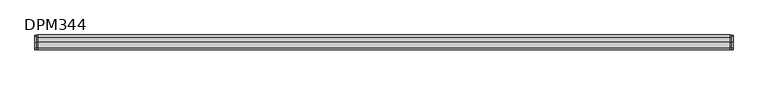
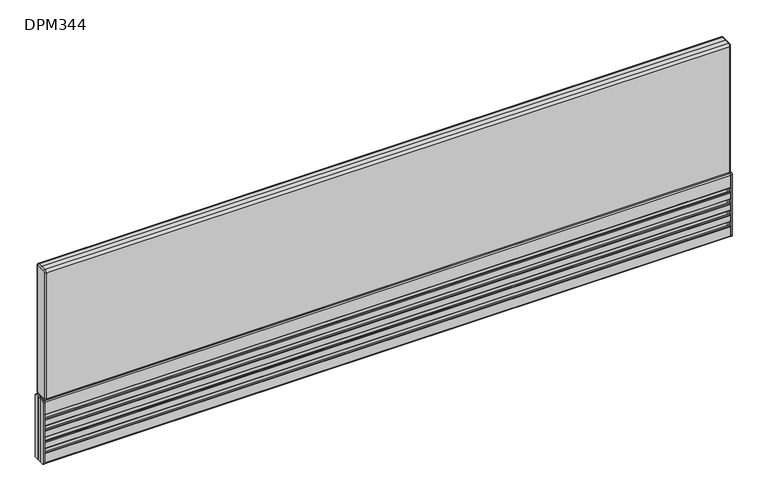
"""IFC4 building model written with IfcOpenShell, lengths in millimetres: furniture geometry, DPM344."""

from ifc_helpers import new_model, si_unit, point, frame, frame_2d, origin, place, context, project, spatial, polyline, circle_curve, ellipse_curve, trimmed, segment, composite_curve, outline, extrude, source, transform, mapped, element, save
from ifc_brep_helpers import plane_surface, cylinder_surface, revolved_surface, advanced_brep


def dpm344_2a17f131(model_context):
    return source(origin(), model_context, "Body", "SolidModel", [
        advanced_brep(
        [(-647.5, -11.25, 125.5), (-647.5, -13.25, 123.5), (-647.5, -13.25, 2.0), (-647.5, -11.25, 0.0), (-647.5, 0.0, 0.0), (-647.5, 11.25, 0.0), (-647.5, 13.25, 2.0), (-647.5, 13.25, 123.5), (-647.5, 11.25, 125.5), (-647.5, 0.0, 125.5), (-650.5, 11.25, 125.5), (-650.5, 13.25, 123.5), (-650.5, 13.25, 2.0), (-650.5, 11.25, 0.0), (-650.5, 5.25, 0.0), (-650.5, 5.25, 125.5), (-650.5, -11.25, 0.0), (-650.5, -13.25, 2.0), (-650.5, -13.25, 123.5), (-650.5, -11.25, 125.5), (-650.5, -5.25, 125.5), (-650.5, -5.25, 0.0), (-650.5, -3.75, 125.5), (-650.5, 0.0, 125.5), (-650.5, 3.75, 125.5), (-650.5, 3.75, 0.0), (-650.5, 0.0, 0.0), (-650.5, -3.75, 0.0)],
        [
            (0, 1, circle_curve(frame((-647.5, -11.25, 123.5), z_axis=(1.0, 0.0, 0.0), x_axis=(0.0, 1.0, 0.0)), 2.0)),
            (1, 2),
            (2, 3, circle_curve(frame((-647.5, -11.25, 2.0), z_axis=(1.0, 0.0, 0.0), x_axis=(0.0, 1.0, 0.0)), 2.0)),
            (3, 4),
            (4, 5),
            (5, 6, circle_curve(frame((-647.5, 11.25, 2.0), z_axis=(1.0, 0.0, 0.0), x_axis=(0.0, -1.0, 0.0)), 2.0)),
            (6, 7),
            (7, 8, circle_curve(frame((-647.5, 11.25, 123.5), z_axis=(1.0, 0.0, 0.0), x_axis=(0.0, -1.0, 0.0)), 2.0)),
            (8, 9),
            (9, 0),
            (10, 11, circle_curve(frame((-650.5, 11.25, 123.5), z_axis=(-1.0, 0.0, 0.0), x_axis=(0.0, -1.0, 0.0)), 2.0)),
            (11, 12),
            (12, 13, circle_curve(frame((-650.5, 11.25, 2.0), z_axis=(-1.0, 0.0, 0.0), x_axis=(0.0, -1.0, 0.0)), 2.0)),
            (13, 14),
            (14, 15),
            (15, 10),
            (16, 17, circle_curve(frame((-650.5, -11.25, 2.0), z_axis=(-1.0, 0.0, 0.0), x_axis=(0.0, 1.0, 0.0)), 2.0)),
            (17, 18),
            (18, 19, circle_curve(frame((-650.5, -11.25, 123.5), z_axis=(-1.0, 0.0, 0.0), x_axis=(0.0, 1.0, 0.0)), 2.0)),
            (19, 20),
            (20, 21),
            (21, 16),
            (22, 23),
            (23, 24),
            (24, 25),
            (25, 26),
            (26, 27),
            (27, 22),
            (0, 19),
            (18, 1),
            (17, 2),
            (16, 3),
            (21, 27, circle_curve(frame((-651.1614378, -4.5, 0.0), z_axis=(0.0, 0.0, 1.0), x_axis=(0.0, 1.0, 0.0)), 1.0)),
            (26, 4),
            (25, 14, circle_curve(frame((-651.1614378, 4.5, 0.0), z_axis=(0.0, 0.0, 1.0), x_axis=(0.0, 1.0, 0.0)), 1.0)),
            (13, 5),
            (12, 6),
            (11, 7),
            (10, 8),
            (15, 24, circle_curve(frame((-651.1614378, 4.5, 125.5), z_axis=(0.0, 0.0, -1.0), x_axis=(0.0, 1.0, 0.0)), 1.0)),
            (23, 9),
            (22, 20, circle_curve(frame((-651.1614378, -4.5, 125.5), z_axis=(0.0, 0.0, -1.0), x_axis=(0.0, 1.0, 0.0)), 1.0)),
        ],
        [
            plane_surface(frame((-647.5, -9.25, 123.5), z_axis=(1.0, 0.0, 0.0), x_axis=(0.0, 0.0, 1.0))),
            plane_surface(frame((-650.5, -9.25, 123.5), z_axis=(-1.0, 0.0, 0.0), x_axis=(0.0, 0.0, -1.0))),
            cylinder_surface(frame((-650.5, -11.25, 123.5), z_axis=(1.0, 0.0, 0.0), x_axis=(0.0, 1.0, 0.0)), 2.0),
            plane_surface(frame((-647.5, -13.25, 123.5), z_axis=(0.0, -1.0, 0.0), x_axis=(-1.0, 0.0, 0.0))),
            cylinder_surface(frame((-650.5, -11.25, 2.0), z_axis=(1.0, 0.0, 0.0), x_axis=(0.0, 1.0, 0.0)), 2.0),
            plane_surface(frame((-647.5, -11.25, 0.0), z_axis=(0.0, 0.0, -1.0), x_axis=(-1.0, 0.0, 0.0))),
            plane_surface(frame((-647.5, 0.0, 0.0), z_axis=(0.0, 0.0, -1.0), x_axis=(-1.0, 0.0, 0.0))),
            cylinder_surface(frame((-650.5, 11.25, 2.0), z_axis=(1.0, 0.0, 0.0), x_axis=(0.0, -1.0, 0.0)), 2.0),
            plane_surface(frame((-647.5, 13.25, 2.0), z_axis=(0.0, 1.0, -6.587285038427298e-12), x_axis=(-1.0, 0.0, 0.0))),
            cylinder_surface(frame((-650.5, 11.25, 123.5), z_axis=(1.0, 0.0, 0.0), x_axis=(0.0, -1.0, 0.0)), 2.0),
            plane_surface(frame((-647.5, 11.25, 125.5), z_axis=(0.0, 0.0, 1.0), x_axis=(-1.0, 0.0, 0.0))),
            plane_surface(frame((-647.5, 0.0, 125.5), z_axis=(0.0, 0.0, 1.0), x_axis=(-1.0, 0.0, 0.0))),
            revolved_surface(polyline([(-651.1614378, 5.5, 125.5), (-651.1614378, 5.5, 0.0)]), (-651.1614378, 4.5, -26.25), (0.0, 0.0, 1.0)),
            revolved_surface(polyline([(-651.1614378, -3.5, 125.5), (-651.1614378, -3.5, 0.0)]), (-651.1614378, -4.5, 73.75), (0.0, 0.0, 1.0)),
        ],
        [
            (0, [[1, 2, 3, 4, 5, 6, 7, 8, 9, 10]]),
            (1, [[11, 12, 13, 14, 15, 16]]),
            (1, [[17, 18, 19, 20, 21, 22]]),
            (1, [[23, 24, 25, 26, 27, 28]]),
            (2, [[-1, 29, -19, 30]]),
            (3, [[-2, -30, -18, 31]]),
            (4, [[-3, -31, -17, 32]]),
            (5, [[-4, -32, -22, 33, -27, 34]]),
            (6, [[-5, -34, -26, 35, -14, 36]]),
            (7, [[-6, -36, -13, 37]]),
            (8, [[-7, -37, -12, 38]]),
            (9, [[-8, -38, -11, 39]]),
            (10, [[-9, -39, -16, 40, -24, 41]]),
            (11, [[-10, -41, -23, 42, -20, -29]]),
            (12, [[-15, -35, -25, -40]]),
            (13, [[-28, -33, -21, -42]]),
        ],
    ),
        advanced_brep(
        [(647.5, 11.25, 125.5), (647.5, 13.25, 123.5), (647.5, 13.25, 2.0), (647.5, 11.25, 0.0), (647.5, 0.0, 0.0), (647.5, -11.25, 0.0), (647.5, -13.25, 2.0), (647.5, -13.25, 123.5), (647.5, -11.25, 125.5), (647.5, 0.0, 125.5), (650.5, -11.25, 125.5), (650.5, -13.25, 123.5), (650.5, -13.25, 2.0), (650.5, -11.25, 0.0), (650.5, -5.25, 0.0), (650.5, -5.25, 125.5), (650.5, 11.25, 0.0), (650.5, 13.25, 2.0), (650.5, 13.25, 123.5), (650.5, 11.25, 125.5), (650.5, 5.25, 125.5), (650.5, 5.25, 0.0), (650.5, 3.75, 125.5), (650.5, 0.0, 125.5), (650.5, -3.75, 125.5), (650.5, -3.75, 0.0), (650.5, 0.0, 0.0), (650.5, 3.75, 0.0)],
        [
            (0, 1, circle_curve(frame((647.5, 11.25, 123.5), z_axis=(-1.0, 0.0, 0.0), x_axis=(0.0, -1.0000000000000004, 0.0)), 2.0)),
            (1, 2),
            (2, 3, circle_curve(frame((647.5, 11.25, 2.0), z_axis=(-1.0, 0.0, 0.0), x_axis=(0.0, -1.0000000000000004, 0.0)), 2.0)),
            (3, 4),
            (4, 5),
            (5, 6, circle_curve(frame((647.5, -11.25, 2.0), z_axis=(-1.0, 0.0, 0.0), x_axis=(0.0, 1.0000000000000004, 0.0)), 2.0)),
            (6, 7),
            (7, 8, circle_curve(frame((647.5, -11.25, 123.5), z_axis=(-1.0, 0.0, 0.0), x_axis=(0.0, 1.0000000000000004, 0.0)), 2.0)),
            (8, 9),
            (9, 0),
            (10, 11, circle_curve(frame((650.5, -11.25, 123.5), z_axis=(1.0, 0.0, 0.0), x_axis=(0.0, 1.0000000000000004, 0.0)), 2.0)),
            (11, 12),
            (12, 13, circle_curve(frame((650.5, -11.25, 2.0), z_axis=(1.0, 0.0, 0.0), x_axis=(0.0, 1.0000000000000004, 0.0)), 2.0)),
            (13, 14),
            (14, 15),
            (15, 10),
            (16, 17, circle_curve(frame((650.5, 11.25, 2.0), z_axis=(1.0, 0.0, 0.0), x_axis=(0.0, -1.0000000000000004, 0.0)), 2.0)),
            (17, 18),
            (18, 19, circle_curve(frame((650.5, 11.25, 123.5), z_axis=(1.0, 0.0, 0.0), x_axis=(0.0, -1.0000000000000004, 0.0)), 2.0)),
            (19, 20),
            (20, 21),
            (21, 16),
            (22, 23),
            (23, 24),
            (24, 25),
            (25, 26),
            (26, 27),
            (27, 22),
            (0, 19),
            (18, 1),
            (17, 2),
            (16, 3),
            (21, 27, circle_curve(frame((651.1614378, 4.5, 0.0), z_axis=(0.0, 0.0, 1.0), x_axis=(0.0, -1.0000000000000004, 0.0)), 1.0)),
            (26, 4),
            (25, 14, circle_curve(frame((651.1614378, -4.5, 0.0), z_axis=(0.0, 0.0, 1.0), x_axis=(0.0, -1.0000000000000004, 0.0)), 1.0)),
            (13, 5),
            (12, 6),
            (11, 7),
            (10, 8),
            (15, 24, circle_curve(frame((651.1614378, -4.5, 125.5), z_axis=(0.0, 0.0, -1.0), x_axis=(0.0, -1.0000000000000004, 0.0)), 1.0)),
            (23, 9),
            (22, 20, circle_curve(frame((651.1614378, 4.5, 125.5), z_axis=(0.0, 0.0, -1.0), x_axis=(0.0, -1.0000000000000004, 0.0)), 1.0)),
        ],
        [
            plane_surface(frame((647.5, 9.25, 123.5), z_axis=(-1.0, 0.0, 0.0), x_axis=(0.0, 0.0, 1.0))),
            plane_surface(frame((650.5, 9.25, 123.5), z_axis=(1.0, 0.0, 0.0), x_axis=(0.0, 0.0, -1.0))),
            cylinder_surface(frame((650.5, 11.25, 123.5), z_axis=(-1.0000000000000004, 0.0, 0.0), x_axis=(0.0, -1.0000000000000004, 0.0)), 2.0),
            plane_surface(frame((647.5, 13.25, 123.5), z_axis=(0.0, 1.0, 0.0), x_axis=(1.0, 0.0, 0.0))),
            cylinder_surface(frame((650.5, 11.25, 2.0), z_axis=(-1.0000000000000004, 0.0, 0.0), x_axis=(0.0, -1.0000000000000004, 0.0)), 2.0),
            plane_surface(frame((647.5, 11.25, 0.0), z_axis=(0.0, 0.0, -1.0), x_axis=(1.0, 0.0, 0.0))),
            plane_surface(frame((647.5, 0.0, 0.0), z_axis=(0.0, 0.0, -1.0), x_axis=(1.0, 0.0, 0.0))),
            cylinder_surface(frame((650.5, -11.25, 2.0), z_axis=(-1.0000000000000004, 0.0, 0.0), x_axis=(0.0, 1.0000000000000004, 0.0)), 2.0),
            plane_surface(frame((647.5, -13.25, 2.0), z_axis=(0.0, -1.0, -6.587285038427301e-12), x_axis=(1.0, 0.0, 0.0))),
            cylinder_surface(frame((650.5, -11.25, 123.5), z_axis=(-1.0000000000000004, 0.0, 0.0), x_axis=(0.0, 1.0000000000000004, 0.0)), 2.0),
            plane_surface(frame((647.5, -11.25, 125.5), z_axis=(0.0, 0.0, 1.0), x_axis=(1.0, 0.0, 0.0))),
            plane_surface(frame((647.5, 0.0, 125.5), z_axis=(0.0, 0.0, 1.0), x_axis=(1.0, 0.0, 0.0))),
            revolved_surface(polyline([(651.1614378, -5.5, 125.5), (651.1614378, -5.5, 0.0)]), (651.1614378, -4.5, -26.25), (0.0, 0.0, 1.0)),
            revolved_surface(polyline([(651.1614378, 3.4999999999999996, 125.5), (651.1614378, 3.4999999999999996, 0.0)]), (651.1614378, 4.5, 73.75), (0.0, 0.0, 1.0)),
        ],
        [
            (0, [[1, 2, 3, 4, 5, 6, 7, 8, 9, 10]]),
            (1, [[11, 12, 13, 14, 15, 16]]),
            (1, [[17, 18, 19, 20, 21, 22]]),
            (1, [[23, 24, 25, 26, 27, 28]]),
            (2, [[-1, 29, -19, 30]]),
            (3, [[-2, -30, -18, 31]]),
            (4, [[-3, -31, -17, 32]]),
            (5, [[-4, -32, -22, 33, -27, 34]]),
            (6, [[-5, -34, -26, 35, -14, 36]]),
            (7, [[-6, -36, -13, 37]]),
            (8, [[-7, -37, -12, 38]]),
            (9, [[-8, -38, -11, 39]]),
            (10, [[-9, -39, -16, 40, -24, 41]]),
            (11, [[-10, -41, -23, 42, -20, -29]]),
            (12, [[-15, -35, -25, -40]]),
            (13, [[-28, -33, -21, -42]]),
        ],
    ),
        extrude(outline(composite_curve([segment(trimmed(circle_curve(frame_2d((-12.0, 20.25)), 1.0), [point((-13.0, 20.25))], [point((-12.0, 21.25))], False, "CARTESIAN"), True, "CONTINUOUS"), segment(polyline([(-12.0, 21.25), (-9.2004126, 21.25), (-9.2004126, 15.25), (-1.7500068, 15.25), (-1.7500068, 36.25), (-9.2004126, 36.25), (-9.2004126, 30.25), (-12.0, 30.25)]), True, "CONTINUOUS"), segment(trimmed(circle_curve(frame_2d((-12.0, 31.25)), 1.0), [point((-12.0, 30.25))], [point((-13.0, 31.25))], False, "CARTESIAN"), True, "CONTINUOUS"), segment(polyline([(-13.0, 31.25), (-13.0, 42.75)]), True, "CONTINUOUS"), segment(trimmed(circle_curve(frame_2d((-12.0, 42.75)), 1.0), [point((-13.0, 42.75))], [point((-12.0, 43.75))], False, "CARTESIAN"), True, "CONTINUOUS"), segment(polyline([(-12.0, 43.75), (-9.2004126, 43.75), (-9.2004126, 37.75), (-1.7500068, 37.75), (-1.7500068, 58.75), (-9.2004126, 58.75), (-9.2004126, 52.75), (-12.0, 52.75)]), True, "CONTINUOUS"), segment(trimmed(circle_curve(frame_2d((-12.0, 53.75)), 1.0), [point((-12.0, 52.75))], [point((-13.0, 53.75))], False, "CARTESIAN"), True, "CONTINUOUS"), segment(polyline([(-13.0, 53.75), (-13.0, 65.25)]), True, "CONTINUOUS"), segment(trimmed(circle_curve(frame_2d((-12.0, 65.25)), 1.0), [point((-13.0, 65.25))], [point((-12.0, 66.25))], False, "CARTESIAN"), True, "CONTINUOUS"), segment(polyline([(-12.0, 66.25), (-9.2004126, 66.25), (-9.2004126, 60.25), (-1.7500068, 60.25), (-1.7500068, 81.25), (-9.2004126, 81.25), (-9.2004126, 75.25), (-12.0, 75.25)]), True, "CONTINUOUS"), segment(trimmed(circle_curve(frame_2d((-12.0, 76.25)), 1.0), [point((-12.0, 75.25))], [point((-13.0, 76.25))], False, "CARTESIAN"), True, "CONTINUOUS"), segment(polyline([(-13.0, 76.25), (-13.0, 87.75)]), True, "CONTINUOUS"), segment(trimmed(circle_curve(frame_2d((-12.0, 87.75)), 1.0), [point((-13.0, 87.75))], [point((-12.0, 88.75))], False, "CARTESIAN"), True, "CONTINUOUS"), segment(polyline([(-12.0, 88.75), (-9.2004126, 88.75), (-9.2004126, 82.75), (-1.7500068, 82.75), (-1.7500068, 103.75), (-9.2004126, 103.75), (-9.2004126, 97.75), (-12.0, 97.75)]), True, "CONTINUOUS"), segment(trimmed(circle_curve(frame_2d((-12.0, 98.75)), 1.0), [point((-12.0, 97.75))], [point((-13.0, 98.75))], False, "CARTESIAN"), True, "CONTINUOUS"), segment(polyline([(-13.0, 98.75), (-13.0, 123.25)]), True, "CONTINUOUS"), segment(trimmed(circle_curve(frame_2d((-11.0, 123.25)), 2.0), [point((-13.0, 123.25))], [point((-11.0, 125.25))], False, "CARTESIAN"), True, "CONTINUOUS"), segment(polyline([(-11.0, 125.25), (-6.0, 125.25)]), True, "CONTINUOUS"), segment(trimmed(circle_curve(frame_2d((-6.0, 124.75)), 0.5), [point((-6.0, 125.25))], [point((-5.5, 124.75))], False, "CARTESIAN"), True, "CONTINUOUS"), segment(polyline([(-5.5, 124.75), (-5.5, 105.25), (0.0, 105.25), (5.5, 105.25), (5.5, 124.75)]), True, "CONTINUOUS"), segment(trimmed(circle_curve(frame_2d((6.0, 124.75)), 0.5), [point((5.5, 124.75))], [point((6.0, 125.25))], False, "CARTESIAN"), True, "CONTINUOUS"), segment(polyline([(6.0, 125.25), (11.0, 125.25)]), True, "CONTINUOUS"), segment(trimmed(circle_curve(frame_2d((11.0, 123.25)), 2.0), [point((11.0, 125.25))], [point((13.0, 123.25))], False, "CARTESIAN"), True, "CONTINUOUS"), segment(polyline([(13.0, 123.25), (13.0, 98.75)]), True, "CONTINUOUS"), segment(trimmed(circle_curve(frame_2d((12.0, 98.75)), 1.0), [point((13.0, 98.75))], [point((12.0, 97.75))], False, "CARTESIAN"), True, "CONTINUOUS"), segment(polyline([(12.0, 97.75), (9.2004126, 97.75), (9.2004126, 103.75), (1.7500068, 103.75), (1.7500068, 82.75), (9.2004126, 82.75), (9.2004126, 88.75), (12.0, 88.75)]), True, "CONTINUOUS"), segment(trimmed(circle_curve(frame_2d((12.0, 87.75)), 1.0), [point((12.0, 88.75))], [point((13.0, 87.75))], False, "CARTESIAN"), True, "CONTINUOUS"), segment(polyline([(13.0, 87.75), (13.0, 76.25)]), True, "CONTINUOUS"), segment(trimmed(circle_curve(frame_2d((12.0, 76.25)), 1.0), [point((13.0, 76.25))], [point((12.0, 75.25))], False, "CARTESIAN"), True, "CONTINUOUS"), segment(polyline([(12.0, 75.25), (9.2004126, 75.25), (9.2004126, 81.25), (1.7500068, 81.25), (1.7500068, 60.25), (9.2004126, 60.25), (9.2004126, 66.25), (12.0, 66.25)]), True, "CONTINUOUS"), segment(trimmed(circle_curve(frame_2d((12.0, 65.25)), 1.0), [point((12.0, 66.25))], [point((13.0, 65.25))], False, "CARTESIAN"), True, "CONTINUOUS"), segment(polyline([(13.0, 65.25), (13.0, 53.75)]), True, "CONTINUOUS"), segment(trimmed(circle_curve(frame_2d((12.0, 53.75)), 1.0), [point((13.0, 53.75))], [point((12.0, 52.75))], False, "CARTESIAN"), True, "CONTINUOUS"), segment(polyline([(12.0, 52.75), (9.2004126, 52.75), (9.2004126, 58.75), (1.7500068, 58.75), (1.7500068, 37.75), (9.2004126, 37.75), (9.2004126, 43.75), (12.0, 43.75)]), True, "CONTINUOUS"), segment(trimmed(circle_curve(frame_2d((12.0, 42.75)), 1.0), [point((12.0, 43.75))], [point((13.0, 42.75))], False, "CARTESIAN"), True, "CONTINUOUS"), segment(polyline([(13.0, 42.75), (13.0, 31.25)]), True, "CONTINUOUS"), segment(trimmed(circle_curve(frame_2d((12.0, 31.25)), 1.0), [point((13.0, 31.25))], [point((12.0, 30.25))], False, "CARTESIAN"), True, "CONTINUOUS"), segment(polyline([(12.0, 30.25), (9.2004126, 30.25), (9.2004126, 36.25), (1.7500068, 36.25), (1.7500068, 15.25), (9.2004126, 15.25), (9.2004126, 21.25), (12.0, 21.25)]), True, "CONTINUOUS"), segment(trimmed(circle_curve(frame_2d((12.0, 20.25)), 1.0), [point((12.0, 21.25))], [point((13.0, 20.25))], False, "CARTESIAN"), True, "CONTINUOUS"), segment(polyline([(13.0, 20.25), (13.0, 2.25)]), True, "CONTINUOUS"), segment(trimmed(circle_curve(frame_2d((11.0, 2.25)), 2.0), [point((13.0, 2.25))], [point((11.0, 0.25))], False, "CARTESIAN"), True, "CONTINUOUS"), segment(polyline([(11.0, 0.25), (0.0, 0.25), (-11.0, 0.25)]), True, "CONTINUOUS"), segment(trimmed(circle_curve(frame_2d((-11.0, 2.25)), 2.0), [point((-11.0, 0.25))], [point((-13.0, 2.25))], False, "CARTESIAN"), True, "CONTINUOUS"), segment(polyline([(-13.0, 2.25), (-13.0, 20.25)]), True, "CONTINUOUS")], self_intersect=False)), frame((-647.5, 0.0, 0.0), z_axis=(1.0, 0.0, 0.0), x_axis=(0.0, 1.0, 0.0)), (0.0, 0.0, 1.0), 1295.0),
        extrude(outline(polyline([(647.5, 5.25), (647.5, -5.25), (-647.5, -5.25), (-647.5, 5.25), (647.5, 5.25)])), frame((0.0, 0.0, 105.25), z_axis=(0.0, 0.0, 1.0), x_axis=(1.0, 0.0, 0.0)), (0.0, 0.0, 1.0), 20.5),
        advanced_brep(
        [(647.5, -9.5, 382.25), (647.5, -11.0, 380.75), (647.5, -11.0, 130.25), (647.5, -9.5, 128.75), (647.5, 9.5, 128.75), (647.5, 11.0, 130.25), (647.5, 11.0, 380.75), (647.5, 9.5, 382.25), (647.5, 0.0, 382.25), (-647.5, -9.5, 128.75), (-647.5, -11.0, 130.25), (-647.5, -11.0, 380.75), (-647.5, -9.5, 382.25), (-647.5, 0.0, 382.25), (-647.5, 9.5, 382.25), (-647.5, 11.0, 380.75), (-647.5, 11.0, 130.25), (-647.5, 9.5, 128.75), (644.5, -9.5, 385.25), (644.5, 0.0, 385.25), (-644.5, 0.0, 385.25), (-644.5, -9.5, 385.25), (644.5, -14.0, 380.75), (-644.5, -14.0, 380.75), (644.5, -14.0, 130.25), (-644.5, -14.0, 130.25), (644.5, -9.5, 125.75), (-644.5, -9.5, 125.75), (644.5, 9.5, 125.75), (-644.5, 9.5, 125.75), (644.5, 14.0, 130.25), (-644.5, 14.0, 130.25), (644.5, 14.0, 380.75), (-644.5, 14.0, 380.75), (644.5, 9.5, 385.25), (-644.5, 9.5, 385.25)],
        [
            (0, 1, circle_curve(frame((647.5, -9.5, 380.75), z_axis=(1.0, 0.0, 0.0), x_axis=(0.0, 0.0, 1.0)), 1.5)),
            (1, 2),
            (2, 3, circle_curve(frame((647.5, -9.5, 130.25), z_axis=(1.0, 0.0, 0.0), x_axis=(0.0, -1.0, 0.0)), 1.5)),
            (3, 4),
            (4, 5, circle_curve(frame((647.5, 9.5, 130.25), z_axis=(1.0, 0.0, 0.0), x_axis=(0.0, 0.0, -1.0)), 1.5)),
            (5, 6),
            (6, 7, circle_curve(frame((647.5, 9.5, 380.75), z_axis=(1.0, 0.0, 0.0), x_axis=(0.0, 1.0, 0.0)), 1.5)),
            (7, 8),
            (8, 0),
            (9, 10, circle_curve(frame((-647.5, -9.5, 130.25), z_axis=(-1.0, 0.0, 0.0), x_axis=(0.0, 0.0, -1.0)), 1.5)),
            (10, 11),
            (11, 12, circle_curve(frame((-647.5, -9.5, 380.75), z_axis=(-1.0, 0.0, 0.0), x_axis=(0.0, -1.0, 0.0)), 1.5)),
            (12, 13),
            (13, 14),
            (14, 15, circle_curve(frame((-647.5, 9.5, 380.75), z_axis=(-1.0, 0.0, 0.0), x_axis=(0.0, 0.0, 1.0)), 1.5)),
            (15, 16),
            (16, 17, circle_curve(frame((-647.5, 9.5, 130.25), z_axis=(-1.0, 0.0, 0.0), x_axis=(0.0, 1.0, 0.0)), 1.5)),
            (17, 9),
            (18, 19),
            (19, 20),
            (20, 21),
            (21, 18),
            (22, 18, circle_curve(frame((644.5, -9.5, 380.75), z_axis=(-1.0, 0.0, 0.0), x_axis=(0.0, 1.0, 0.0)), 4.5)),
            (21, 23, circle_curve(frame((-644.5, -9.5, 380.75), z_axis=(1.0, 0.0, 0.0), x_axis=(0.0, 1.0, 0.0)), 4.5)),
            (23, 22),
            (24, 22),
            (23, 25),
            (25, 24),
            (26, 24, circle_curve(frame((644.5, -9.5, 130.25), z_axis=(-1.0, 0.0, 0.0), x_axis=(0.0, 1.0, 0.0)), 4.5)),
            (25, 27, circle_curve(frame((-644.5, -9.5, 130.25), z_axis=(1.0, 0.0, 0.0), x_axis=(0.0, 1.0, 0.0)), 4.5)),
            (27, 26),
            (28, 26),
            (27, 29),
            (29, 28),
            (30, 28, circle_curve(frame((644.5, 9.5, 130.25), z_axis=(-1.0, 0.0, 0.0), x_axis=(0.0, 1.0, 0.0)), 4.5)),
            (29, 31, circle_curve(frame((-644.5, 9.5, 130.25), z_axis=(1.0, 0.0, 0.0), x_axis=(0.0, 1.0, 0.0)), 4.5)),
            (31, 30),
            (32, 30),
            (31, 33),
            (33, 32),
            (34, 32, circle_curve(frame((644.5, 9.5, 380.75), z_axis=(-1.0, 0.0, 0.0), x_axis=(0.0, 1.0, 0.0)), 4.5)),
            (33, 35, circle_curve(frame((-644.5, 9.5, 380.75), z_axis=(1.0, 0.0, 0.0), x_axis=(0.0, 1.0, 0.0)), 4.5)),
            (35, 34),
            (19, 34),
            (35, 20),
            (22, 1, circle_curve(frame((644.5, -11.0, 380.75), z_axis=(0.0, 0.0, 1.0), x_axis=(1.0, 0.0, 0.0)), 3.0)),
            (0, 18, circle_curve(frame((644.5, -9.5, 382.25), z_axis=(0.0, -1.0, 0.0), x_axis=(1.0, 0.0, 0.0)), 3.0)),
            (24, 2, circle_curve(frame((644.5, -11.0, 130.25), z_axis=(0.0, 0.0, 1.0), x_axis=(1.0, 0.0, 0.0)), 3.0)),
            (26, 3, circle_curve(frame((644.5, -9.5, 128.75), z_axis=(0.0, -1.0, 0.0), x_axis=(1.0, 0.0, 0.0)), 3.0)),
            (28, 4, circle_curve(frame((644.5, 9.5, 128.75), z_axis=(0.0, -1.0, 0.0), x_axis=(1.0, 0.0, 0.0)), 3.0)),
            (30, 5, circle_curve(frame((644.5, 11.0, 130.25), z_axis=(0.0, 0.0, -1.0), x_axis=(1.0, 0.0, 0.0)), 3.0)),
            (32, 6, circle_curve(frame((644.5, 11.0, 380.75), z_axis=(0.0, 0.0, -1.0), x_axis=(1.0, 0.0, 0.0)), 3.0)),
            (34, 7, circle_curve(frame((644.5, 9.5, 382.25), z_axis=(0.0, 1.0, 0.0), x_axis=(1.0, 0.0, 0.0)), 3.0)),
            (19, 8, circle_curve(frame((644.5, 0.0, 382.25), z_axis=(0.0, 1.0, 0.0), x_axis=(1.0, 0.0, 0.0)), 3.0)),
            (25, 10, circle_curve(frame((-644.5, -11.0, 130.25), z_axis=(0.0, 0.0, -1.0), x_axis=(-1.0, 0.0, 0.0)), 3.0)),
            (9, 27, circle_curve(frame((-644.5, -9.5, 128.75), z_axis=(0.0, -1.0, 0.0), x_axis=(-1.0, 0.0, 0.0)), 3.0)),
            (23, 11, circle_curve(frame((-644.5, -11.0, 380.75), z_axis=(0.0, 0.0, -1.0), x_axis=(-1.0, 0.0, 0.0)), 3.0)),
            (21, 12, circle_curve(frame((-644.5, -9.5, 382.25), z_axis=(0.0, -1.0, 0.0), x_axis=(-1.0, 0.0, 0.0)), 3.0)),
            (20, 13, circle_curve(frame((-644.5, 0.0, 382.25), z_axis=(0.0, -1.0, 0.0), x_axis=(-1.0, 0.0, 0.0)), 3.0)),
            (35, 14, circle_curve(frame((-644.5, 9.5, 382.25), z_axis=(0.0, -1.0, 0.0), x_axis=(-1.0, 0.0, 0.0)), 3.0)),
            (33, 15, circle_curve(frame((-644.5, 11.0, 380.75), z_axis=(0.0, 0.0, 1.0), x_axis=(-1.0, 0.0, 0.0)), 3.0)),
            (31, 16, circle_curve(frame((-644.5, 11.0, 130.25), z_axis=(0.0, 0.0, 1.0), x_axis=(-1.0, 0.0, 0.0)), 3.0)),
            (29, 17, circle_curve(frame((-644.5, 9.5, 128.75), z_axis=(0.0, 1.0, 0.0), x_axis=(-1.0, 0.0, 0.0)), 3.0)),
        ],
        [
            plane_surface(frame((647.5, -14.0, 385.25), z_axis=(1.0, 0.0, 0.0), x_axis=(0.0, -1.0, 0.0))),
            plane_surface(frame((-647.5, -14.0, 385.25), z_axis=(-1.0, 0.0, 0.0), x_axis=(0.0, 1.0, 0.0))),
            plane_surface(frame((647.5, 0.0, 385.25), z_axis=(0.0, 0.0, 1.0), x_axis=(-1.0, 0.0, 0.0))),
            cylinder_surface(frame((-647.5, -9.5, 380.75), z_axis=(1.0, 0.0, 0.0), x_axis=(0.0, 1.0, 0.0)), 4.5),
            plane_surface(frame((647.5, -14.0, 380.75), z_axis=(0.0, -1.0, 0.0), x_axis=(-1.0, 0.0, 0.0))),
            cylinder_surface(frame((-647.5, -9.5, 130.25), z_axis=(1.0, 0.0, 0.0), x_axis=(0.0, 1.0, 0.0)), 4.5),
            plane_surface(frame((647.5, -9.5, 125.75), z_axis=(0.0, 0.0, -1.0), x_axis=(-1.0, 0.0, 0.0))),
            cylinder_surface(frame((-647.5, 9.5, 130.25), z_axis=(1.0, 0.0, 0.0), x_axis=(0.0, 1.0, 0.0)), 4.5),
            plane_surface(frame((647.5, 14.0, 130.25), z_axis=(0.0, 1.0, 0.0), x_axis=(-1.0, 0.0, 0.0))),
            cylinder_surface(frame((-647.5, 9.5, 380.75), z_axis=(1.0, 0.0, 0.0), x_axis=(0.0, 1.0, 0.0)), 4.5),
            plane_surface(frame((647.5, 9.5, 385.25), z_axis=(0.0, 0.0, 1.0), x_axis=(-1.0, 0.0, 0.0))),
            revolved_surface(trimmed(ellipse_curve(frame((644.5, -9.5, 382.25), z_axis=(0.0, 1.0, 0.0), x_axis=(1.0, 0.0, 0.0)), 3.0, 3.0), [point((644.5, -9.5, 385.25))], [point((647.5, -9.5, 382.25))], True, "CARTESIAN"), (647.5, -9.5, 380.75), (1.0, 0.0, 0.0)),
            cylinder_surface(frame((644.5, -11.0, 380.75), z_axis=(0.0, 0.0, -1.0), x_axis=(1.0, 0.0, 0.0)), 3.0),
            revolved_surface(trimmed(ellipse_curve(frame((644.5, -11.0, 130.25), z_axis=(0.0, 0.0, 1.0), x_axis=(1.0, 0.0, 0.0)), 3.0, 3.0), [point((644.5, -14.0, 130.25))], [point((647.5, -11.0, 130.25))], True, "CARTESIAN"), (647.5, -9.5, 130.25), (1.0, 0.0, 0.0)),
            cylinder_surface(frame((644.5, -9.5, 128.75), z_axis=(0.0, 1.0, 0.0), x_axis=(1.0, 0.0, 0.0)), 3.0),
            revolved_surface(trimmed(ellipse_curve(frame((644.5, 9.5, 128.75), z_axis=(0.0, -1.0, 0.0), x_axis=(1.0, 0.0, 0.0)), 3.0, 3.0), [point((644.5, 9.5, 125.75))], [point((647.5, 9.5, 128.75))], True, "CARTESIAN"), (647.5, 9.5, 130.25), (1.0, 0.0, 0.0)),
            cylinder_surface(frame((644.5, 11.0, 130.25), z_axis=(0.0, 0.0, 1.0), x_axis=(1.0, 0.0, 0.0)), 3.0),
            revolved_surface(trimmed(ellipse_curve(frame((644.5, 11.0, 380.75), z_axis=(0.0, 0.0, -1.0), x_axis=(1.0, 0.0, 0.0)), 3.0, 3.0), [point((644.5, 14.0, 380.75))], [point((647.5, 11.0, 380.75))], True, "CARTESIAN"), (647.5, 9.5, 380.75), (1.0, 0.0, 0.0)),
            cylinder_surface(frame((644.5, 9.5, 382.25), z_axis=(0.0, -1.0, 0.0), x_axis=(1.0, 0.0, 0.0)), 3.0),
            cylinder_surface(frame((644.5, 0.0, 382.25), z_axis=(0.0, -1.0, 0.0), x_axis=(1.0, 0.0, 0.0)), 3.0),
            revolved_surface(trimmed(ellipse_curve(frame((-644.5, -9.5, 128.75), z_axis=(0.0, 1.0, 0.0), x_axis=(-1.0, 0.0, 0.0)), 3.0, 3.0), [point((-644.5, -9.5, 125.75))], [point((-647.5, -9.5, 128.75))], True, "CARTESIAN"), (-647.5, -9.5, 130.25), (-1.0, 0.0, 0.0)),
            cylinder_surface(frame((-644.5, -11.0, 130.25), z_axis=(0.0, 0.0, 1.0), x_axis=(-1.0, 0.0, 0.0)), 3.0),
            revolved_surface(trimmed(ellipse_curve(frame((-644.5, -11.0, 380.75), z_axis=(0.0, 0.0, -1.0), x_axis=(-1.0, 0.0, 0.0)), 3.0, 3.0), [point((-644.5, -14.0, 380.75))], [point((-647.5, -11.0, 380.75))], True, "CARTESIAN"), (-647.5, -9.5, 380.75), (-1.0, 0.0, 0.0)),
            cylinder_surface(frame((-644.5, -9.5, 382.25), z_axis=(0.0, 1.0, 0.0), x_axis=(-1.0, 0.0, 0.0)), 3.0),
            cylinder_surface(frame((-644.5, 0.0, 382.25), z_axis=(0.0, 1.0, 0.0), x_axis=(-1.0, 0.0, 0.0)), 3.0),
            revolved_surface(trimmed(ellipse_curve(frame((-644.5, 9.5, 382.25), z_axis=(0.0, -1.0, 0.0), x_axis=(-1.0, 0.0, 0.0)), 3.0, 3.0), [point((-644.5, 9.5, 385.25))], [point((-647.5, 9.5, 382.25))], True, "CARTESIAN"), (-647.5, 9.5, 380.75), (-1.0, 0.0, 0.0)),
            cylinder_surface(frame((-644.5, 11.0, 380.75), z_axis=(0.0, 0.0, -1.0), x_axis=(-1.0, 0.0, 0.0)), 3.0),
            revolved_surface(trimmed(ellipse_curve(frame((-644.5, 11.0, 130.25), z_axis=(0.0, 0.0, 1.0), x_axis=(-1.0, 0.0, 0.0)), 3.0, 3.0), [point((-644.5, 14.0, 130.25))], [point((-647.5, 11.0, 130.25))], True, "CARTESIAN"), (-647.5, 9.5, 130.25), (-1.0, 0.0, 0.0)),
            cylinder_surface(frame((-644.5, 9.5, 128.75), z_axis=(0.0, -1.0, 0.0), x_axis=(-1.0, 0.0, 0.0)), 3.0),
        ],
        [
            (0, [[1, 2, 3, 4, 5, 6, 7, 8, 9]]),
            (1, [[10, 11, 12, 13, 14, 15, 16, 17, 18]]),
            (2, [[19, 20, 21, 22]]),
            (3, [[23, -22, 24, 25]]),
            (4, [[26, -25, 27, 28]]),
            (5, [[29, -28, 30, 31]]),
            (6, [[32, -31, 33, 34]]),
            (7, [[35, -34, 36, 37]]),
            (8, [[38, -37, 39, 40]]),
            (9, [[41, -40, 42, 43]]),
            (10, [[44, -43, 45, -20]]),
            (11, [[46, -1, 47, -23]]),
            (12, [[-46, -26, 48, -2]]),
            (13, [[-48, -29, 49, -3]]),
            (14, [[-49, -32, 50, -4]]),
            (15, [[-50, -35, 51, -5]]),
            (16, [[-51, -38, 52, -6]]),
            (17, [[-52, -41, 53, -7]]),
            (18, [[-53, -44, 54, -8]]),
            (19, [[-47, -9, -54, -19]]),
            (20, [[55, -10, 56, -30]]),
            (21, [[-55, -27, 57, -11]]),
            (22, [[-57, -24, 58, -12]]),
            (23, [[-58, -21, 59, -13]]),
            (24, [[-59, -45, 60, -14]]),
            (25, [[-60, -42, 61, -15]]),
            (26, [[-61, -39, 62, -16]]),
            (27, [[-62, -36, 63, -17]]),
            (28, [[-56, -18, -63, -33]]),
        ],
    ),
    ])


if __name__ == "__main__":
    model = new_model("IFC4")
    model_context = context("Model", 3, world=origin())
    ifc_project = project(units=[si_unit("LENGTHUNIT", "METRE", prefix="MILLI")], contexts=[model_context])
    site = spatial("IfcSite", under=ifc_project)
    building = spatial("IfcBuilding", under=site)
    placement = place(None, origin())
    dpm344_shape = dpm344_2a17f131(model_context)
    element("IfcFurniture", 1, ObjectType="DPM344", at=placement, inside=building, context=model_context, shape_type="MappedRepresentation", body=[
        mapped(dpm344_shape, transform((0.0, 0.0, 0.0), x_axis=(1.0, 0.0, 0.0), y_axis=(0.0, 1.0, 0.0), z_axis=(0.0, 0.0, 1.0))),
    ])
    save(model, "model.ifc")
